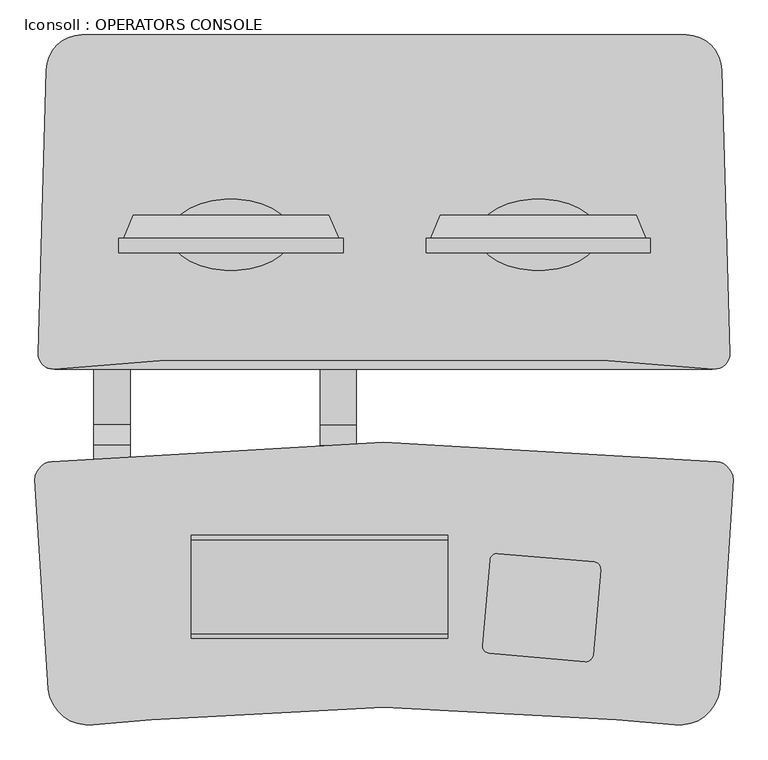
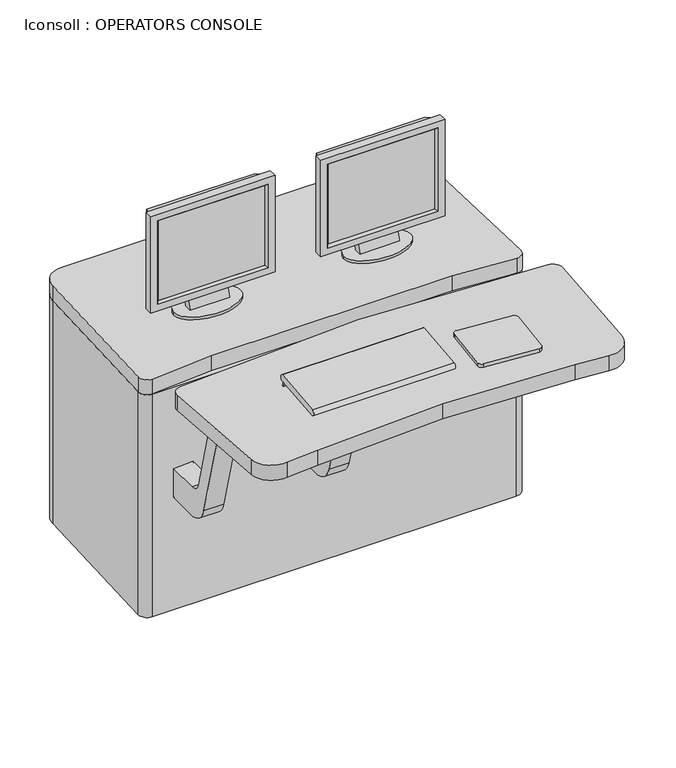
"""IFC4 building model written with IfcOpenShell, lengths in millimetres: proxy geometry, lconsoll : OPERATORS CONSOLE."""

from ifc_helpers import new_model, si_unit, point, frame, frame_2d, origin, place, context, project, spatial, polyline, circle_curve, ellipse_curve, trimmed, segment, composite_curve, outline, extrude, source, transform, mapped, element, save
from ifc_brep_helpers import plane_surface, cylinder_surface, revolved_surface, extruded_surface, advanced_brep


def lconsoll_operators_console_3d333c1b(model_context):
    return source(origin(), model_context, "Body", "SolidModel", [
        extrude(outline(composite_curve([segment(polyline([(-429.2591306, 1166.416873), (-429.2591306, 892.1394842), (-433.7264594, 892.1394842)]), True, "CONTINUOUS"), segment(trimmed(circle_curve(frame_2d((3743.1105771, 1029.2781786)), 4179.0877773), [point((-433.7264594, 892.1394842))], [point((-433.7264594, 1166.416873))], False, "CARTESIAN"), True, "CONTINUOUS"), segment(polyline([(-433.7264594, 1166.416873), (-429.2591306, 1166.416873)]), True, "CONTINUOUS")], self_intersect=False)), frame((-444.4905985, 0.0, 0.0), z_axis=(1.0, 0.0, 0.0), x_axis=(0.0, 1.0, 0.0)), (0.0, 0.0, 1.0), 345.3973888),
        advanced_brep(
        [(-97.7809199, -376.5441634, 1167.7291627), (-80.8354978, -417.8191634, 1184.6745848), (-80.8354978, -417.8191634, 873.8817723), (-97.7809199, -376.5441634, 890.8271944), (-462.7483103, -417.8191634, 873.8817723), (-445.8028882, -376.5441634, 890.8271944), (-208.2919041, -406.0172917, 879.1437736), (-208.2919041, -391.6414893, 885.0968233), (-335.2919041, -391.6414893, 885.0968233), (-335.2919041, -406.0172917, 879.1437736), (-462.7483103, -417.8191634, 1184.6745848), (-445.8028882, -376.5441634, 1167.7291627), (-208.2919041, -425.8980933, 816.483), (-208.2919041, -400.3886115, 816.483), (-335.2919041, -400.3886115, 816.483), (-335.2919041, -425.8980933, 816.483), (-379.7419041, -411.4691634, 816.483), (-163.8419041, -411.4691634, 816.483), (-379.7419041, -411.4691634, 806.958), (-163.8419041, -411.4691634, 806.958)],
        [
            (0, 1, ellipse_curve(frame((401.7716758, -195.5691634, 1667.2817585), z_axis=(-0.7071067811865475, 0.0, 0.7071067811865475), x_axis=(-0.7071067811865474, 0.0, -0.7071067811865476)), 751.4050127, 531.3235799)),
            (1, 2),
            (2, 3, ellipse_curve(frame((401.7716758, -195.5691634, 391.2745987), z_axis=(-0.7071067811865475, 0.0, -0.7071067811865475), x_axis=(0.7071067811865474, 0.0, -0.7071067811865476)), 751.4050127, 531.3235799)),
            (3, 0),
            (2, 4),
            (4, 5, ellipse_curve(frame((-945.355484, -195.5691634, 391.2745987), z_axis=(-0.7071067811865475, 0.0, 0.7071067811865475), x_axis=(-0.7071067811865476, 0.0, -0.7071067811865474)), 751.4050127, 531.3235799)),
            (5, 3),
            (6, 7, circle_curve(frame((-208.2919041, -195.5691634, 391.2745987), z_axis=(-1.0, 0.0, 0.0), x_axis=(0.0, -1.0, 0.0)), 531.3235799)),
            (7, 8),
            (8, 9, circle_curve(frame((-335.2919041, -195.5691634, 391.2745987), z_axis=(1.0, 0.0, 0.0), x_axis=(0.0, -1.0, 0.0)), 531.3235799)),
            (9, 6),
            (4, 10),
            (10, 11, ellipse_curve(frame((-945.355484, -195.5691634, 1667.2817585), z_axis=(0.7071067811865476, 0.0, 0.7071067811865475), x_axis=(-0.7071067811865475, 0.0, 0.7071067811865476)), 751.4050127, 531.3235799)),
            (11, 5),
            (0, 11),
            (10, 1),
            (6, 12, circle_curve(frame((-208.2919041, -762.8070427, 957.8605937), z_axis=(-1.0, 0.0, 0.0), x_axis=(0.0, -1.0, 0.0)), 365.3700374)),
            (12, 13),
            (13, 7, circle_curve(frame((-208.2919041, -1133.2395964, 944.7737891), z_axis=(1.0, 0.0, 0.0), x_axis=(0.0, -1.0, 0.0)), 743.9953579)),
            (8, 14, circle_curve(frame((-335.2919041, -1133.2395964, 944.7737891), z_axis=(-1.0, 0.0, 0.0), x_axis=(0.0, -1.0, 0.0)), 743.9953579)),
            (14, 15),
            (15, 9, circle_curve(frame((-335.2919041, -762.8070427, 957.8605937), z_axis=(1.0, 0.0, 0.0), x_axis=(0.0, -1.0, 0.0)), 365.3700374)),
            (15, 12),
            (13, 14),
            (16, 17, ellipse_curve(frame((-271.7919041, -411.4691634, 816.483), z_axis=(0.0, 0.0, 1.0), x_axis=(1.0, 0.0, 0.0)), 107.95, 63.5)),
            (17, 16, ellipse_curve(frame((-271.7919041, -411.4691634, 816.483), z_axis=(0.0, 0.0, 1.0), x_axis=(1.0, 0.0, 0.0)), 107.95, 63.5)),
            (18, 19, ellipse_curve(frame((-271.7919041, -411.4691634, 806.958), z_axis=(0.0, 0.0, -1.0), x_axis=(1.0, 0.0, 0.0)), 107.95, 63.5)),
            (19, 18, ellipse_curve(frame((-271.7919041, -411.4691634, 806.958), z_axis=(0.0, 0.0, -1.0), x_axis=(1.0, 0.0, 0.0)), 107.95, 63.5)),
            (16, 18),
            (19, 17),
        ],
        [
            revolved_surface(polyline([(401.7716758, -726.8927433, -140.04898119773384), (401.7716758, -726.8927433, 2198.605338397734)]), (401.7716758, -195.5691634, 1184.6745848), (0.0, 0.0, -1.0)),
            revolved_surface(polyline([(-1476.6790638977338, -726.8927433, 391.2745987), (933.0952556977338, -726.8927433, 391.2745987)]), (-80.8354978, -195.5691634, 391.2745987), (-1.0, 0.0, 0.0)),
            revolved_surface(polyline([(-945.355484, -726.8927433, 2198.605338397734), (-945.355484, -726.8927433, -140.04898119773384)]), (-945.355484, -195.5691634, 873.8817723), (0.0, 0.0, 1.0)),
            revolved_surface(polyline([(933.095255697734, -726.8927433, 1667.2817585), (-1476.6790638977338, -726.8927433, 1667.2817585)]), (-462.7483103, -195.5691634, 1667.2817585), (1.0, 0.0, 0.0)),
            plane_surface(frame((-445.8028882, -376.5441634, 1167.7291627), z_axis=(0.0, 1.0, 0.0), x_axis=(1.0, 0.0, 0.0))),
            plane_surface(frame((-401.3319041, -417.8191634, 1123.2581786), z_axis=(0.0, -1.0, 0.0), x_axis=(1.0, 0.0, 0.0))),
            plane_surface(frame((-208.2919041, -1128.1770801, 957.8605937), z_axis=(1.0, 0.0, 0.0), x_axis=(0.0, 0.0, 1.0))),
            plane_surface(frame((-335.2919041, -1128.1770801, 957.8605937), z_axis=(-1.0, 0.0, 0.0), x_axis=(0.0, 0.0, -1.0))),
            revolved_surface(polyline([(-335.2919041, -1128.1770801, 957.8605937), (-208.2919041, -1128.1770801, 957.8605937)]), (-335.2919041, -762.8070427, 957.8605937), (-1.0, 0.0, 0.0)),
            cylinder_surface(frame((-335.2919041, -1133.2395964, 944.7737891), z_axis=(1.0, 0.0, 0.0), x_axis=(0.0, -1.0, 0.0)), 743.9953579),
            plane_surface(frame((-163.8419041, -411.4691634, 816.483), z_axis=(0.0, 0.0, 1.0), x_axis=(0.0, 1.0, 0.0))),
            plane_surface(frame((-163.8419041, -411.4691634, 806.958), z_axis=(0.0, 0.0, -1.0), x_axis=(0.0, -1.0, 0.0))),
            extruded_surface(trimmed(ellipse_curve(frame((-271.7919041, -411.4691634, 797.433), z_axis=(0.0, 0.0, 1.0), x_axis=(1.0, 0.0, 0.0)), 107.95, 63.5), [point((-379.7419041, -411.4691634, 797.433))], [point((-163.8419041, -411.4691634, 797.433))], True, "CARTESIAN"), (0.0, 0.0, 9.524999999999977), 9.524999999999977),
            extruded_surface(trimmed(ellipse_curve(frame((-271.7919041, -411.4691634, 797.433), z_axis=(0.0, 0.0, 1.0), x_axis=(1.0, 0.0, 0.0)), 107.95, 63.5), [point((-163.8419041, -411.4691634, 797.433))], [point((-379.7419041, -411.4691634, 797.433))], True, "CARTESIAN"), (0.0, 0.0, 9.524999999999977), 9.524999999999977),
        ],
        [
            (0, [[1, 2, 3, 4]]),
            (1, [[-3, 5, 6, 7], [8, 9, 10, 11]]),
            (2, [[-6, 12, 13, 14]]),
            (3, [[-1, 15, -13, 16]]),
            (4, [[-4, -7, -14, -15]]),
            (5, [[-2, -16, -12, -5]]),
            (6, [[-8, 17, 18, 19]]),
            (7, [[-10, 20, 21, 22]]),
            (8, [[-11, -22, 23, -17]]),
            (9, [[-9, -19, 24, -20]]),
            (10, [[25, 26], [-18, -23, -21, -24]]),
            (11, [[27, 28]]),
            (12, [[-25, 29, -28, 30]]),
            (13, [[-26, -30, -27, -29]]),
        ],
    ),
        advanced_brep(
        [(-471.1819041, -443.2191634, 865.4481786), (-471.1819041, -417.8191634, 865.4481786), (-72.4019041, -417.8191634, 865.4481786), (-72.4019041, -443.2191634, 865.4481786), (-444.4905985, -433.7264594, 892.1394842), (-449.2744041, -443.2191634, 887.3556786), (-94.3094041, -443.2191634, 887.3556786), (-99.0932097, -433.7264594, 892.1394842), (-444.4905985, -417.8191634, 892.1394842), (-99.0932097, -417.8191634, 892.1394842), (-72.4019041, -417.8191634, 1193.1081786), (-72.4019041, -443.2191634, 1193.1081786), (-94.3094041, -443.2191634, 1171.2006786), (-99.0932097, -433.7264594, 1166.416873), (-99.0932097, -417.8191634, 1166.416873), (-471.1819041, -417.8191634, 1193.1081786), (-471.1819041, -443.2191634, 1193.1081786), (-449.2744041, -443.2191634, 1171.2006786), (-444.4905985, -433.7264594, 1166.416873), (-444.4905985, -417.8191634, 1166.416873)],
        [
            (0, 1),
            (1, 2),
            (2, 3),
            (3, 0),
            (4, 5, ellipse_curve(frame((-457.2476312, -433.2493507, 879.3824515), z_axis=(0.7071067811865475, 0.0, -0.7071067811865475), x_axis=(-0.7071067811865476, 0.0, -0.7071067811865474)), 18.0537817, 12.7659514)),
            (5, 6),
            (6, 7, ellipse_curve(frame((-86.336177, -433.2493507, 879.3824515), z_axis=(-0.7071067811865475, 0.0, -0.7071067811865475), x_axis=(-0.7071067811865476, 0.0, 0.7071067811865474)), 18.0537817, 12.7659514)),
            (7, 4),
            (8, 4),
            (7, 9),
            (9, 8),
            (2, 10),
            (10, 11),
            (11, 3),
            (6, 12),
            (12, 13, ellipse_curve(frame((-86.336177, -433.2493507, 1179.1739057), z_axis=(0.7071067811865475, 0.0, -0.7071067811865475), x_axis=(-0.7071067811865474, 0.0, -0.7071067811865476)), 18.0537817, 12.7659514)),
            (13, 7),
            (13, 14),
            (14, 9),
            (10, 15),
            (15, 16),
            (16, 11),
            (12, 17),
            (17, 18, ellipse_curve(frame((-457.2476312, -433.2493507, 1179.1739057), z_axis=(0.7071067811865475, 0.0, 0.7071067811865475), x_axis=(0.7071067811865476, 0.0, -0.7071067811865474)), 18.0537817, 12.7659514)),
            (18, 13),
            (18, 19),
            (19, 14),
            (1, 15),
            (19, 8),
            (0, 16),
            (5, 17),
            (4, 18),
        ],
        [
            plane_surface(frame((-471.1819041, -417.8191634, 865.4481786), z_axis=(0.0, 0.0, -1.0), x_axis=(1.0, 0.0, 0.0))),
            cylinder_surface(frame((-471.1819041, -433.2493507, 879.3824515), z_axis=(-1.0, 0.0, 0.0), x_axis=(0.0, 0.0, 1.0)), 12.7659514),
            plane_surface(frame((-444.4905985, -433.7264594, 892.1394842), z_axis=(0.0, 0.0, 1.0), x_axis=(1.0, 0.0, 0.0))),
            plane_surface(frame((-72.4019041, -417.8191634, 865.4481786), z_axis=(1.0, 0.0, 0.0), x_axis=(0.0, 0.0, 1.0))),
            cylinder_surface(frame((-86.336177, -433.2493507, 865.4481786), z_axis=(0.0, 0.0, -1.0), x_axis=(-1.0, 0.0, 0.0)), 12.7659514),
            plane_surface(frame((-99.0932097, -433.7264594, 892.1394842), z_axis=(-1.0, 0.0, 0.0), x_axis=(0.0, 0.0, 1.0))),
            plane_surface(frame((-72.4019041, -417.8191634, 1193.1081786), z_axis=(0.0, 0.0, 1.0), x_axis=(-1.0, 0.0, 0.0))),
            cylinder_surface(frame((-72.4019041, -433.2493507, 1179.1739057), z_axis=(1.0, 0.0, 0.0), x_axis=(0.0, 0.0, -1.0)), 12.7659514),
            plane_surface(frame((-99.0932097, -433.7264594, 1166.416873), z_axis=(0.0, 0.0, -1.0), x_axis=(-1.0, 0.0, 0.0))),
            plane_surface(frame((-444.4905985, -417.8191634, 1166.416873), z_axis=(0.0, 1.0, 0.0), x_axis=(0.0, 0.0, -1.0))),
            plane_surface(frame((-471.1819041, -417.8191634, 1193.1081786), z_axis=(-1.0, 0.0, 0.0), x_axis=(0.0, 0.0, -1.0))),
            plane_surface(frame((-471.1819041, -443.2191634, 1193.1081786), z_axis=(0.0, -1.0, 0.0), x_axis=(0.0, 0.0, -1.0))),
            cylinder_surface(frame((-457.2476312, -433.2493507, 1193.1081786), z_axis=(0.0, 0.0, 1.0), x_axis=(1.0, 0.0, 0.0)), 12.7659514),
            plane_surface(frame((-444.4905985, -433.7264594, 1166.416873), z_axis=(1.0, 0.0, 0.0), x_axis=(0.0, 0.0, -1.0))),
        ],
        [
            (0, [[1, 2, 3, 4]]),
            (1, [[5, 6, 7, 8]]),
            (2, [[9, -8, 10, 11]]),
            (3, [[-3, 12, 13, 14]]),
            (4, [[-7, 15, 16, 17]]),
            (5, [[-10, -17, 18, 19]]),
            (6, [[-13, 20, 21, 22]]),
            (7, [[-16, 23, 24, 25]]),
            (8, [[-18, -25, 26, 27]]),
            (9, [[28, -20, -12, -2], [-19, -27, 29, -11]]),
            (10, [[-21, -28, -1, 30]]),
            (11, [[-14, -22, -30, -4], [31, -23, -15, -6]]),
            (12, [[-24, -31, -5, 32]]),
            (13, [[-26, -32, -9, -29]]),
        ],
    ),
        extrude(outline(composite_curve([segment(polyline([(-429.2591306, 1166.416873), (-429.2591306, 892.1394842), (-433.7264594, 892.1394842)]), True, "CONTINUOUS"), segment(trimmed(circle_curve(frame_2d((3743.1105771, 1029.2781786)), 4179.0877773), [point((-433.7264594, 892.1394842))], [point((-433.7264594, 1166.416873))], False, "CARTESIAN"), True, "CONTINUOUS"), segment(polyline([(-433.7264594, 1166.416873), (-429.2591306, 1166.416873)]), True, "CONTINUOUS")], self_intersect=False)), frame((101.4887902, 0.0, 0.0), z_axis=(1.0, 0.0, 0.0), x_axis=(0.0, 1.0, 0.0)), (0.0, 0.0, 1.0), 345.3973888),
        advanced_brep(
        [(448.1984688, -376.5441634, 1167.7291627), (465.1438909, -417.8191634, 1184.6745848), (465.1438909, -417.8191634, 873.8817723), (448.1984688, -376.5441634, 890.8271944), (83.2310784, -417.8191634, 873.8817723), (100.1765005, -376.5441634, 890.8271944), (337.6874846, -406.0172917, 879.1437736), (337.6874846, -391.6414893, 885.0968233), (210.6874846, -391.6414893, 885.0968233), (210.6874846, -406.0172917, 879.1437736), (83.2310784, -417.8191634, 1184.6745848), (100.1765005, -376.5441634, 1167.7291627), (337.6874846, -425.8980933, 816.483), (337.6874846, -400.3886115, 816.483), (210.6874846, -400.3886115, 816.483), (210.6874846, -425.8980933, 816.483), (166.2374846, -411.4691634, 816.483), (382.1374846, -411.4691634, 816.483), (166.2374846, -411.4691634, 806.958), (382.1374846, -411.4691634, 806.958)],
        [
            (0, 1, ellipse_curve(frame((947.7510645, -195.5691634, 1667.2817585), z_axis=(-0.7071067811865475, 0.0, 0.7071067811865475), x_axis=(-0.7071067811865474, 0.0, -0.7071067811865476)), 751.4050127, 531.3235799)),
            (1, 2),
            (2, 3, ellipse_curve(frame((947.7510645, -195.5691634, 391.2745987), z_axis=(-0.7071067811865475, 0.0, -0.7071067811865475), x_axis=(0.7071067811865474, 0.0, -0.7071067811865476)), 751.4050127, 531.3235799)),
            (3, 0),
            (2, 4),
            (4, 5, ellipse_curve(frame((-399.3760953, -195.5691634, 391.2745987), z_axis=(-0.7071067811865475, 0.0, 0.7071067811865475), x_axis=(-0.7071067811865476, 0.0, -0.7071067811865474)), 751.4050127, 531.3235799)),
            (5, 3),
            (6, 7, circle_curve(frame((337.6874846, -195.5691634, 391.2745987), z_axis=(-1.0, 0.0, 0.0), x_axis=(0.0, -1.0, 0.0)), 531.3235799)),
            (7, 8),
            (8, 9, circle_curve(frame((210.6874846, -195.5691634, 391.2745987), z_axis=(1.0, 0.0, 0.0), x_axis=(0.0, -1.0, 0.0)), 531.3235799)),
            (9, 6),
            (4, 10),
            (10, 11, ellipse_curve(frame((-399.3760953, -195.5691634, 1667.2817585), z_axis=(0.7071067811865476, 0.0, 0.7071067811865475), x_axis=(-0.7071067811865475, 0.0, 0.7071067811865476)), 751.4050127, 531.3235799)),
            (11, 5),
            (0, 11),
            (10, 1),
            (6, 12, circle_curve(frame((337.6874846, -762.8070427, 957.8605937), z_axis=(-1.0, 0.0, 0.0), x_axis=(0.0, -1.0, 0.0)), 365.3700374)),
            (12, 13),
            (13, 7, circle_curve(frame((337.6874846, -1133.2395964, 944.7737891), z_axis=(1.0, 0.0, 0.0), x_axis=(0.0, -1.0, 0.0)), 743.9953579)),
            (8, 14, circle_curve(frame((210.6874846, -1133.2395964, 944.7737891), z_axis=(-1.0, 0.0, 0.0), x_axis=(0.0, -1.0, 0.0)), 743.9953579)),
            (14, 15),
            (15, 9, circle_curve(frame((210.6874846, -762.8070427, 957.8605937), z_axis=(1.0, 0.0, 0.0), x_axis=(0.0, -1.0, 0.0)), 365.3700374)),
            (15, 12),
            (13, 14),
            (16, 17, ellipse_curve(frame((274.1874846, -411.4691634, 816.483), z_axis=(0.0, 0.0, 1.0), x_axis=(1.0, 0.0, 0.0)), 107.95, 63.5)),
            (17, 16, ellipse_curve(frame((274.1874846, -411.4691634, 816.483), z_axis=(0.0, 0.0, 1.0), x_axis=(1.0, 0.0, 0.0)), 107.95, 63.5)),
            (18, 19, ellipse_curve(frame((274.1874846, -411.4691634, 806.958), z_axis=(0.0, 0.0, -1.0), x_axis=(1.0, 0.0, 0.0)), 107.95, 63.5)),
            (19, 18, ellipse_curve(frame((274.1874846, -411.4691634, 806.958), z_axis=(0.0, 0.0, -1.0), x_axis=(1.0, 0.0, 0.0)), 107.95, 63.5)),
            (16, 18),
            (19, 17),
        ],
        [
            revolved_surface(polyline([(947.7510645, -726.8927433, -140.04898119773384), (947.7510645, -726.8927433, 2198.605338397734)]), (947.7510645, -195.5691634, 1184.6745848), (0.0, 0.0, -1.0)),
            revolved_surface(polyline([(-930.6996751977339, -726.8927433, 391.2745987), (1479.0746443977337, -726.8927433, 391.2745987)]), (465.1438909, -195.5691634, 391.2745987), (-1.0, 0.0, 0.0)),
            revolved_surface(polyline([(-399.3760953, -726.8927433, 2198.605338397734), (-399.3760953, -726.8927433, -140.04898119773384)]), (-399.3760953, -195.5691634, 873.8817723), (0.0, 0.0, 1.0)),
            revolved_surface(polyline([(1479.0746443977337, -726.8927433, 1667.2817585), (-930.6996751977338, -726.8927433, 1667.2817585)]), (83.2310784, -195.5691634, 1667.2817585), (1.0, 0.0, 0.0)),
            plane_surface(frame((100.1765005, -376.5441634, 1167.7291627), z_axis=(0.0, 1.0, 0.0), x_axis=(1.0, 0.0, 0.0))),
            plane_surface(frame((144.6474846, -417.8191634, 1123.2581786), z_axis=(0.0, -1.0, 0.0), x_axis=(1.0, 0.0, 0.0))),
            plane_surface(frame((337.6874846, -1128.1770801, 957.8605937), z_axis=(1.0, 0.0, 0.0), x_axis=(0.0, 0.0, 1.0))),
            plane_surface(frame((210.6874846, -1128.1770801, 957.8605937), z_axis=(-1.0, 0.0, 0.0), x_axis=(0.0, 0.0, -1.0))),
            revolved_surface(polyline([(210.6874846, -1128.1770801, 957.8605937), (337.6874846, -1128.1770801, 957.8605937)]), (210.6874846, -762.8070427, 957.8605937), (-1.0, 0.0, 0.0)),
            cylinder_surface(frame((210.6874846, -1133.2395964, 944.7737891), z_axis=(1.0, 0.0, 0.0), x_axis=(0.0, -1.0, 0.0)), 743.9953579),
            plane_surface(frame((382.1374846, -411.4691634, 816.483), z_axis=(0.0, 0.0, 1.0), x_axis=(0.0, 1.0, 0.0))),
            plane_surface(frame((382.1374846, -411.4691634, 806.958), z_axis=(0.0, 0.0, -1.0), x_axis=(0.0, -1.0, 0.0))),
            extruded_surface(trimmed(ellipse_curve(frame((274.1874846, -411.4691634, 797.433), z_axis=(0.0, 0.0, 1.0), x_axis=(1.0, 0.0, 0.0)), 107.95, 63.5), [point((166.2374846, -411.4691634, 797.433))], [point((382.1374846, -411.4691634, 797.433))], True, "CARTESIAN"), (0.0, 0.0, 9.524999999999977), 9.524999999999977),
            extruded_surface(trimmed(ellipse_curve(frame((274.1874846, -411.4691634, 797.433), z_axis=(0.0, 0.0, 1.0), x_axis=(1.0, 0.0, 0.0)), 107.95, 63.5), [point((382.1374846, -411.4691634, 797.433))], [point((166.2374846, -411.4691634, 797.433))], True, "CARTESIAN"), (0.0, 0.0, 9.524999999999977), 9.524999999999977),
        ],
        [
            (0, [[1, 2, 3, 4]]),
            (1, [[-3, 5, 6, 7], [8, 9, 10, 11]]),
            (2, [[-6, 12, 13, 14]]),
            (3, [[-1, 15, -13, 16]]),
            (4, [[-4, -7, -14, -15]]),
            (5, [[-2, -16, -12, -5]]),
            (6, [[-8, 17, 18, 19]]),
            (7, [[-10, 20, 21, 22]]),
            (8, [[-11, -22, 23, -17]]),
            (9, [[-9, -19, 24, -20]]),
            (10, [[25, 26], [-18, -23, -21, -24]]),
            (11, [[27, 28]]),
            (12, [[-25, 29, -28, 30]]),
            (13, [[-26, -30, -27, -29]]),
        ],
    ),
        advanced_brep(
        [(74.7974846, -443.2191634, 865.4481786), (74.7974846, -417.8191634, 865.4481786), (473.5774846, -417.8191634, 865.4481786), (473.5774846, -443.2191634, 865.4481786), (101.4887902, -433.7264594, 892.1394842), (96.7049846, -443.2191634, 887.3556786), (451.6699846, -443.2191634, 887.3556786), (446.886179, -433.7264594, 892.1394842), (101.4887902, -417.8191634, 892.1394842), (446.886179, -417.8191634, 892.1394842), (473.5774846, -417.8191634, 1193.1081786), (473.5774846, -443.2191634, 1193.1081786), (451.6699846, -443.2191634, 1171.2006786), (446.886179, -433.7264594, 1166.416873), (446.886179, -417.8191634, 1166.416873), (74.7974846, -417.8191634, 1193.1081786), (74.7974846, -443.2191634, 1193.1081786), (96.7049846, -443.2191634, 1171.2006786), (101.4887902, -433.7264594, 1166.416873), (101.4887902, -417.8191634, 1166.416873)],
        [
            (0, 1),
            (1, 2),
            (2, 3),
            (3, 0),
            (4, 5, ellipse_curve(frame((88.7317575, -433.2493507, 879.3824515), z_axis=(0.7071067811865475, 0.0, -0.7071067811865475), x_axis=(-0.7071067811865476, 0.0, -0.7071067811865474)), 18.0537817, 12.7659514)),
            (5, 6),
            (6, 7, ellipse_curve(frame((459.6432117, -433.2493507, 879.3824515), z_axis=(-0.7071067811865475, 0.0, -0.7071067811865475), x_axis=(-0.7071067811865476, 0.0, 0.7071067811865474)), 18.0537817, 12.7659514)),
            (7, 4),
            (8, 4),
            (7, 9),
            (9, 8),
            (2, 10),
            (10, 11),
            (11, 3),
            (6, 12),
            (12, 13, ellipse_curve(frame((459.6432117, -433.2493507, 1179.1739057), z_axis=(0.7071067811865475, 0.0, -0.7071067811865475), x_axis=(-0.7071067811865474, 0.0, -0.7071067811865476)), 18.0537817, 12.7659514)),
            (13, 7),
            (13, 14),
            (14, 9),
            (10, 15),
            (15, 16),
            (16, 11),
            (12, 17),
            (17, 18, ellipse_curve(frame((88.7317575, -433.2493507, 1179.1739057), z_axis=(0.7071067811865475, 0.0, 0.7071067811865475), x_axis=(0.7071067811865476, 0.0, -0.7071067811865474)), 18.0537817, 12.7659514)),
            (18, 13),
            (18, 19),
            (19, 14),
            (1, 15),
            (19, 8),
            (0, 16),
            (5, 17),
            (4, 18),
        ],
        [
            plane_surface(frame((74.7974846, -417.8191634, 865.4481786), z_axis=(0.0, 0.0, -1.0), x_axis=(1.0, 0.0, 0.0))),
            cylinder_surface(frame((74.7974846, -433.2493507, 879.3824515), z_axis=(-1.0, 0.0, 0.0), x_axis=(0.0, 0.0, 1.0)), 12.7659514),
            plane_surface(frame((101.4887902, -433.7264594, 892.1394842), z_axis=(0.0, 0.0, 1.0), x_axis=(1.0, 0.0, 0.0))),
            plane_surface(frame((473.5774846, -417.8191634, 865.4481786), z_axis=(1.0, 0.0, 0.0), x_axis=(0.0, 0.0, 1.0))),
            cylinder_surface(frame((459.6432117, -433.2493507, 865.4481786), z_axis=(0.0, 0.0, -1.0), x_axis=(-1.0, 0.0, 0.0)), 12.7659514),
            plane_surface(frame((446.886179, -433.7264594, 892.1394842), z_axis=(-1.0, 0.0, 0.0), x_axis=(0.0, 0.0, 1.0))),
            plane_surface(frame((473.5774846, -417.8191634, 1193.1081786), z_axis=(0.0, 0.0, 1.0), x_axis=(-1.0, 0.0, 0.0))),
            cylinder_surface(frame((473.5774846, -433.2493507, 1179.1739057), z_axis=(1.0, 0.0, 0.0), x_axis=(0.0, 0.0, -1.0)), 12.7659514),
            plane_surface(frame((446.886179, -433.7264594, 1166.416873), z_axis=(0.0, 0.0, -1.0), x_axis=(-1.0, 0.0, 0.0))),
            plane_surface(frame((101.4887902, -417.8191634, 1166.416873), z_axis=(0.0, 1.0, 0.0), x_axis=(0.0, 0.0, -1.0))),
            plane_surface(frame((74.7974846, -417.8191634, 1193.1081786), z_axis=(-1.0, 0.0, 0.0), x_axis=(0.0, 0.0, -1.0))),
            plane_surface(frame((74.7974846, -443.2191634, 1193.1081786), z_axis=(0.0, -1.0, 0.0), x_axis=(0.0, 0.0, -1.0))),
            cylinder_surface(frame((88.7317575, -433.2493507, 1193.1081786), z_axis=(0.0, 0.0, 1.0), x_axis=(1.0, 0.0, 0.0)), 12.7659514),
            plane_surface(frame((101.4887902, -433.7264594, 1166.416873), z_axis=(1.0, 0.0, 0.0), x_axis=(0.0, 0.0, -1.0))),
        ],
        [
            (0, [[1, 2, 3, 4]]),
            (1, [[5, 6, 7, 8]]),
            (2, [[9, -8, 10, 11]]),
            (3, [[-3, 12, 13, 14]]),
            (4, [[-7, 15, 16, 17]]),
            (5, [[-10, -17, 18, 19]]),
            (6, [[-13, 20, 21, 22]]),
            (7, [[-16, 23, 24, 25]]),
            (8, [[-18, -25, 26, 27]]),
            (9, [[28, -20, -12, -2], [-19, -27, 29, -11]]),
            (10, [[-21, -28, -1, 30]]),
            (11, [[-14, -22, -30, -4], [31, -23, -15, -6]]),
            (12, [[-24, -31, -5, 32]]),
            (13, [[-26, -32, -9, -29]]),
        ],
    ),
        extrude(outline(polyline([(-954.4088255, 882.65), (-957.8041925, 882.65), (-961.7164517, 897.2507503), (-958.3988792, 897.5410831), (-954.4088255, 882.65)])), frame((-342.968305, 0.0, 0.0), z_axis=(1.0, 0.0, 0.0), x_axis=(0.0, 1.0, 0.0)), (0.0, 0.0, 1.0), 455.9128064),
        extrude(outline(composite_curve([segment(polyline([(-951.3028468, 898.1620828), (-1118.3496845, 883.5432046)]), True, "CONTINUOUS"), segment(trimmed(circle_curve(frame_2d((-1119.1831566, 893.0671137)), 9.5603096), [point((-1118.3496845, 883.5432046))], [point((-1120.169602, 902.5763958))], False, "CARTESIAN"), True, "CONTINUOUS"), segment(polyline([(-1120.169602, 902.5763958), (-953.5537113, 919.8602973)]), True, "CONTINUOUS"), segment(trimmed(circle_curve(frame_2d((-956.8397513, 908.5535659)), 11.7745587), [point((-953.5537113, 919.8602973))], [point((-951.3028468, 898.1620828))], False, "CARTESIAN"), True, "CONTINUOUS")], self_intersect=False)), frame((-342.968305, 0.0, 0.0), z_axis=(1.0, 0.0, 0.0), x_axis=(0.0, 1.0, 0.0)), (0.0, 0.0, 1.0), 455.9128064),
        extrude(outline(composite_curve([segment(trimmed(circle_curve(frame_2d((372.1042034, -1005.4843603)), 12.7), [point((373.2110813, -992.8326876))], [point((384.7558761, -1006.5912382))], False, "CARTESIAN"), True, "CONTINUOUS"), segment(polyline([(384.7558761, -1006.5912382), (371.4733409, -1158.4113102)]), True, "CONTINUOUS"), segment(trimmed(circle_curve(frame_2d((358.8216682, -1157.3044322)), 12.7), [point((371.4733409, -1158.4113102))], [point((357.7147903, -1169.9561049))], False, "CARTESIAN"), True, "CONTINUOUS"), segment(polyline([(357.7147903, -1169.9561049), (186.9172093, -1155.0132528)]), True, "CONTINUOUS"), segment(trimmed(circle_curve(frame_2d((188.0240872, -1142.3615801)), 12.7), [point((186.9172093, -1155.0132528))], [point((175.3724146, -1141.2547022))], False, "CARTESIAN"), True, "CONTINUOUS"), segment(polyline([(175.3724146, -1141.2547022), (188.6549497, -989.4346302)]), True, "CONTINUOUS"), segment(trimmed(circle_curve(frame_2d((201.3066224, -990.5415082)), 12.7), [point((188.6549497, -989.4346302))], [point((202.4135003, -977.8898355))], False, "CARTESIAN"), True, "CONTINUOUS"), segment(polyline([(202.4135003, -977.8898355), (373.2110813, -992.8326876)]), True, "CONTINUOUS")], self_intersect=False)), frame((0.0, 0.0, 882.65), z_axis=(0.0, 0.0, 1.0), x_axis=(1.0, 0.0, 0.0)), (0.0, 0.0, 1.0), 11.3374003),
        advanced_brep(
        [(-614.8713669, -621.5454655, 756.158), (-586.3726048, -650.1844345, 756.158), (583.5495289, -650.1084082, 756.158), (614.8713669, -621.5454655, 756.158), (599.9399457, -118.7699538, 756.158), (537.4314786, -56.2614867, 756.158), (-537.4314786, -56.2614867, 756.158), (-599.9399457, -118.7699538, 756.158), (-614.8713669, -621.5454655, 0.0), (-599.9399457, -118.7699538, 0.0), (-537.4314786, -56.2614867, 0.0), (537.4314786, -56.2614867, 0.0), (599.9399457, -118.7699538, 0.0), (614.8713669, -621.5454655, 0.0), (583.5495283, -650.10842, 0.0), (-586.3726048, -650.1844345, 0.0), (-49.1541716, -635.125196, 476.0995182), (-49.1541716, -635.125196, 378.079), (-113.3970886, -635.58265, 378.079), (-113.3970886, -635.58265, 476.0995182), (-515.4071971, -646.7308125, 378.079), (-515.4071971, -646.7308125, 476.0995182), (-451.1642802, -643.989246, 476.0995182), (-451.1642802, -643.989246, 378.079), (-49.1541716, -873.1935944, 831.85), (-49.1541716, -1177.9935944, 831.85), (-49.1541716, -1139.8935944, 793.75), (-49.1541716, -940.5287526, 793.75), (-49.1541716, -903.7269787, 765.5110056), (-49.1541716, -815.0481171, 434.5569888), (-49.1541716, -741.4445691, 378.079), (-49.1541716, -748.6353818, 476.0995182), (-49.1541716, -785.4371558, 504.3385126), (-113.3970886, -873.1935944, 831.85), (-113.3970886, -785.4371558, 504.3385126), (-113.3970886, -748.6353818, 476.0995182), (-113.3970886, -741.4445691, 378.079), (-113.3970886, -815.0481171, 434.5569888), (-113.3970886, -903.7269787, 765.5110056), (-113.3970886, -940.5287526, 793.75), (-113.3970886, -1139.8935944, 793.75), (-113.3970886, -1177.9935944, 831.85), (-515.4071971, -873.1935944, 831.85), (-515.4071971, -785.4371558, 504.3385126), (-515.4071971, -748.6353818, 476.0995182), (-515.4071971, -741.4445691, 378.079), (-515.4071971, -815.0481171, 434.5569888), (-515.4071971, -903.7269787, 765.5110056), (-515.4071971, -940.5287526, 793.75), (-515.4071971, -1139.8935944, 793.75), (-515.4071971, -1177.9935944, 831.85), (-451.1642802, -873.1935944, 831.85), (-451.1642802, -1177.9935944, 831.85), (-451.1642802, -1139.8935944, 793.75), (-451.1642802, -940.5287526, 793.75), (-451.1642802, -903.7269787, 765.5110056), (-451.1642802, -815.0481171, 434.5569888), (-451.1642802, -741.4445691, 378.079), (-451.1642802, -748.6353818, 476.0995182), (-451.1642802, -785.4371558, 504.3385126)],
        [
            (0, 1, circle_curve(frame((-587.0619985, -622.3713478, 756.158), z_axis=(0.0, 0.0, 1.0), x_axis=(1.0, 0.0, 0.0)), 27.8216292)),
            (1, 2, circle_curve(frame((-0.6769486, -11954.2945623, 756.158), z_axis=(0.0, 0.0, -1.0), x_axis=(1.0, 0.0, 0.0)), 11319.2731738)),
            (2, 3, circle_curve(frame((585.0880073, -620.3404217, 756.158), z_axis=(0.0, 0.0, 1.0), x_axis=(1.0, 0.0, 0.0)), 29.8077278)),
            (3, 4, circle_curve(frame((-2971.4398329, -476.4422205, 756.158), z_axis=(0.0, 0.0, 1.0), x_axis=(1.0, 0.0, 0.0)), 3589.2454602)),
            (4, 5, circle_curve(frame((537.4314786, -118.7699538, 756.158), z_axis=(0.0, 0.0, 1.0), x_axis=(1.0, 0.0, 0.0)), 62.508467)),
            (5, 6),
            (6, 7, circle_curve(frame((-537.4314786, -118.7699538, 756.158), z_axis=(0.0, 0.0, 1.0), x_axis=(-1.0, 0.0, 0.0)), 62.508467)),
            (7, 0, circle_curve(frame((2971.4398329, -476.4422205, 756.158), z_axis=(0.0, 0.0, 1.0), x_axis=(-1.0, 0.0, 0.0)), 3589.2454602)),
            (8, 9, circle_curve(frame((2971.4398329, -476.4422205, 0.0), z_axis=(0.0, 0.0, -1.0), x_axis=(-1.0, 0.0, 0.0)), 3589.2454602)),
            (9, 10, circle_curve(frame((-537.4314786, -118.7699538, 0.0), z_axis=(0.0, 0.0, -1.0), x_axis=(-1.0, 0.0, 0.0)), 62.508467)),
            (10, 11),
            (11, 12, circle_curve(frame((537.4314786, -118.7699538, 0.0), z_axis=(0.0, 0.0, -1.0), x_axis=(1.0, 0.0, 0.0)), 62.508467)),
            (12, 13, circle_curve(frame((-2971.4398329, -476.4422205, 0.0), z_axis=(0.0, 0.0, -1.0), x_axis=(1.0, 0.0, 0.0)), 3589.2454602)),
            (13, 14, circle_curve(frame((585.0880073, -620.3404217, 0.0), z_axis=(0.0, 0.0, -1.0), x_axis=(1.0, 0.0, 0.0)), 29.8077278)),
            (14, 15, circle_curve(frame((-0.6769486, -11954.2945623, 0.0), z_axis=(0.0, 0.0, 1.0), x_axis=(1.0, 0.0, 0.0)), 11319.2731738)),
            (15, 8, circle_curve(frame((-587.0619985, -622.3713478, 0.0), z_axis=(0.0, 0.0, -1.0), x_axis=(1.0, 0.0, 0.0)), 27.8216292)),
            (0, 8),
            (15, 1),
            (14, 2),
            (16, 17),
            (17, 18, circle_curve(frame((-0.6769486, -11954.2945623, 378.079), z_axis=(0.0, 0.0, 1.0), x_axis=(1.0, 0.0, 0.0)), 11319.2731738)),
            (18, 19),
            (19, 16, circle_curve(frame((-0.6769486, -11954.2945623, 476.0995182), z_axis=(0.0, 0.0, -1.0), x_axis=(1.0, 0.0, 0.0)), 11319.2731738)),
            (20, 21),
            (21, 22, circle_curve(frame((-0.6769486, -11954.2945623, 476.0995182), z_axis=(0.0, 0.0, -1.0), x_axis=(1.0, 0.0, 0.0)), 11319.2731738)),
            (22, 23),
            (23, 20, circle_curve(frame((-0.6769486, -11954.2945623, 378.079), z_axis=(0.0, 0.0, 1.0), x_axis=(1.0, 0.0, 0.0)), 11319.2731738)),
            (13, 3),
            (12, 4),
            (11, 5),
            (10, 6),
            (9, 7),
            (24, 25),
            (25, 26, circle_curve(frame((-49.1541716, -1139.8935944, 831.85), z_axis=(1.0, 0.0, 0.0), x_axis=(0.0, 1.0, 0.0)), 38.1)),
            (26, 27),
            (27, 28, circle_curve(frame((-49.1541716, -940.5287526, 755.65), z_axis=(-1.0, 0.0, 0.0), x_axis=(0.0, 1.0, 0.0)), 38.1)),
            (28, 29),
            (29, 30, circle_curve(frame((-49.1541716, -741.4445691, 454.279), z_axis=(1.0, 0.0, 0.0), x_axis=(0.0, 1.0, 0.0)), 76.2)),
            (30, 17),
            (16, 31),
            (31, 32, circle_curve(frame((-49.1541716, -748.6353818, 514.1995182), z_axis=(-1.0, 0.0, 0.0), x_axis=(0.0, 1.0, 0.0)), 38.1)),
            (32, 24),
            (33, 34),
            (34, 35, circle_curve(frame((-113.3970886, -748.6353818, 514.1995182), z_axis=(1.0, 0.0, 0.0), x_axis=(0.0, 1.0, 0.0)), 38.1)),
            (35, 19),
            (18, 36),
            (36, 37, circle_curve(frame((-113.3970886, -741.4445691, 454.279), z_axis=(-1.0, 0.0, 0.0), x_axis=(0.0, 1.0, 0.0)), 76.2)),
            (37, 38),
            (38, 39, circle_curve(frame((-113.3970886, -940.5287526, 755.65), z_axis=(1.0, 0.0, 0.0), x_axis=(0.0, 1.0, 0.0)), 38.1)),
            (39, 40),
            (40, 41, circle_curve(frame((-113.3970886, -1139.8935944, 831.85), z_axis=(-1.0, 0.0, 0.0), x_axis=(0.0, 1.0, 0.0)), 38.1)),
            (41, 33),
            (24, 33),
            (41, 25),
            (40, 26),
            (39, 27),
            (38, 28),
            (37, 29),
            (36, 30),
            (35, 31),
            (34, 32),
            (42, 43),
            (43, 44, circle_curve(frame((-515.4071971, -748.6353818, 514.1995182), z_axis=(1.0, 0.0, 0.0), x_axis=(0.0, 1.0, 0.0)), 38.1)),
            (44, 21),
            (20, 45),
            (45, 46, circle_curve(frame((-515.4071971, -741.4445691, 454.279), z_axis=(-1.0, 0.0, 0.0), x_axis=(0.0, 1.0, 0.0)), 76.2)),
            (46, 47),
            (47, 48, circle_curve(frame((-515.4071971, -940.5287526, 755.65), z_axis=(1.0, 0.0, 0.0), x_axis=(0.0, 1.0, 0.0)), 38.1)),
            (48, 49),
            (49, 50, circle_curve(frame((-515.4071971, -1139.8935944, 831.85), z_axis=(-1.0, 0.0, 0.0), x_axis=(0.0, 1.0, 0.0)), 38.1)),
            (50, 42),
            (51, 52),
            (52, 53, circle_curve(frame((-451.1642802, -1139.8935944, 831.85), z_axis=(1.0, 0.0, 0.0), x_axis=(0.0, 1.0, 0.0)), 38.1)),
            (53, 54),
            (54, 55, circle_curve(frame((-451.1642802, -940.5287526, 755.65), z_axis=(-1.0, 0.0, 0.0), x_axis=(0.0, 1.0, 0.0)), 38.1)),
            (55, 56),
            (56, 57, circle_curve(frame((-451.1642802, -741.4445691, 454.279), z_axis=(1.0, 0.0, 0.0), x_axis=(0.0, 1.0, 0.0)), 76.2)),
            (57, 23),
            (22, 58),
            (58, 59, circle_curve(frame((-451.1642802, -748.6353818, 514.1995182), z_axis=(-1.0, 0.0, 0.0), x_axis=(0.0, 1.0, 0.0)), 38.1)),
            (59, 51),
            (42, 51),
            (59, 43),
            (58, 44),
            (57, 45),
            (56, 46),
            (55, 47),
            (54, 48),
            (53, 49),
            (52, 50),
        ],
        [
            plane_surface(frame((-559.2403692, -622.3713478, 756.158), z_axis=(0.0, 0.0, 1.0), x_axis=(0.0, 1.0, 0.0))),
            plane_surface(frame((-559.2403692, -622.3713478, 0.0), z_axis=(0.0, 0.0, -1.0), x_axis=(0.0, -1.0, 0.0))),
            cylinder_surface(frame((-587.0619985, -622.3713478, 0.0), z_axis=(0.0, 0.0, 1.0), x_axis=(1.0, 0.0, 0.0)), 27.8216292),
            revolved_surface(polyline([(11318.5962252, -11954.2945623, 0.0), (11318.5962252, -11954.2945623, 756.158)]), (-0.6769486, -11954.2945623, 0.0), (0.0, 0.0, -1.0)),
            cylinder_surface(frame((585.0880073, -620.3404217, 0.0), z_axis=(0.0, 0.0, 1.0), x_axis=(1.0, 0.0, 0.0)), 29.8077278),
            cylinder_surface(frame((-2971.4398329, -476.4422205, 0.0), z_axis=(0.0, 0.0, 1.0), x_axis=(1.0, 0.0, 0.0)), 3589.2454602),
            cylinder_surface(frame((537.4314786, -118.7699538, 0.0), z_axis=(0.0, 0.0, 1.0), x_axis=(1.0, 0.0, 0.0)), 62.508467),
            plane_surface(frame((537.4314786, -56.2614867, 756.158), z_axis=(0.0, 1.0, 0.0), x_axis=(0.0, 0.0, -1.0))),
            cylinder_surface(frame((-537.4314786, -118.7699538, 0.0), z_axis=(0.0, 0.0, 1.0), x_axis=(-1.0, 0.0, 0.0)), 62.508467),
            cylinder_surface(frame((2971.4398329, -476.4422205, 0.0), z_axis=(0.0, 0.0, 1.0), x_axis=(-1.0, 0.0, 0.0)), 3589.2454602),
            plane_surface(frame((-49.1541716, -1177.9935944, 831.85), z_axis=(1.0, 0.0, 0.0), x_axis=(0.0, -1.0, 0.0))),
            plane_surface(frame((-113.3970886, -1177.9935944, 831.85), z_axis=(-1.0, 0.0, 0.0), x_axis=(0.0, 1.0, 0.0))),
            plane_surface(frame((-49.1541716, -873.1935944, 831.85), z_axis=(0.0, 0.0, 1.0), x_axis=(-1.0, 0.0, 0.0))),
            cylinder_surface(frame((-113.3970886, -1139.8935944, 831.85), z_axis=(1.0, 0.0, 0.0), x_axis=(0.0, 1.0, 0.0)), 38.1),
            plane_surface(frame((-49.1541716, -1139.8935944, 793.75), z_axis=(0.0, 0.0, -1.0), x_axis=(-1.0, 0.0, 0.0))),
            revolved_surface(polyline([(-113.3970886, -902.4287525999999, 755.65), (-49.1541716, -902.4287525999999, 755.65)]), (-113.3970886, -940.5287526, 755.65), (-1.0, 0.0, 0.0)),
            plane_surface(frame((-49.1541716, -903.7269787, 765.5110056), z_axis=(0.0, -0.9659258262890695, -0.25881904510251624), x_axis=(-1.0, 0.0, 0.0))),
            cylinder_surface(frame((-113.3970886, -741.4445691, 454.279), z_axis=(1.0, 0.0, 0.0), x_axis=(0.0, 1.0, 0.0)), 76.2),
            plane_surface(frame((-49.1541716, -741.4445691, 378.079), z_axis=(0.0, 0.0, -1.0), x_axis=(-1.0, 0.0, 0.0))),
            plane_surface(frame((-49.1541716, -631.4685687, 476.0995182), z_axis=(0.0, 0.0, 1.0), x_axis=(-1.0, 0.0, 0.0))),
            revolved_surface(polyline([(-113.3970886, -710.5353818, 514.1995182), (-49.1541716, -710.5353818, 514.1995182)]), (-113.3970886, -748.6353818, 514.1995182), (-1.0, 0.0, 0.0)),
            plane_surface(frame((-49.1541716, -785.4371558, 504.3385126), z_axis=(0.0, 0.9659258262890689, 0.2588190451025188), x_axis=(-1.0, 0.0, 0.0))),
            plane_surface(frame((-515.4071971, -873.1935944, 831.85), z_axis=(-1.0, 0.0, 0.0), x_axis=(0.0, 0.2588190451025188, -0.9659258262890689))),
            plane_surface(frame((-451.1642802, -873.1935944, 831.85), z_axis=(1.0, 0.0, 0.0), x_axis=(0.0, -0.2588190451025188, 0.9659258262890689))),
            plane_surface(frame((-515.4071971, -873.1935944, 831.85), z_axis=(0.0, 0.9659258262890689, 0.2588190451025188), x_axis=(1.0, 0.0, 0.0))),
            revolved_surface(polyline([(-451.1642802, -710.5353818, 514.1995182), (-515.4071971, -710.5353818, 514.1995182)]), (-451.1642802, -748.6353818, 514.1995182), (1.0, 0.0, 0.0)),
            plane_surface(frame((-515.4071971, -748.6353818, 476.0995182), z_axis=(0.0, 0.0, 1.0), x_axis=(1.0, 0.0, 0.0))),
            plane_surface(frame((-515.4071971, -631.4685687, 378.079), z_axis=(0.0, 0.0, -1.0), x_axis=(1.0, 0.0, 0.0))),
            cylinder_surface(frame((-451.1642802, -741.4445691, 454.279), z_axis=(-1.0, 0.0, 0.0), x_axis=(0.0, 1.0, 0.0)), 76.2),
            plane_surface(frame((-515.4071971, -815.0481171, 434.5569888), z_axis=(0.0, -0.9659258262890695, -0.25881904510251624), x_axis=(1.0, 0.0, 0.0))),
            revolved_surface(polyline([(-451.1642802, -902.4287525999999, 755.65), (-515.4071971, -902.4287525999999, 755.65)]), (-451.1642802, -940.5287526, 755.65), (1.0, 0.0, 0.0)),
            plane_surface(frame((-515.4071971, -940.5287526, 793.75), z_axis=(0.0, 0.0, -1.0), x_axis=(1.0, 0.0, 0.0))),
            cylinder_surface(frame((-451.1642802, -1139.8935944, 831.85), z_axis=(-1.0, 0.0, 0.0), x_axis=(0.0, 1.0, 0.0)), 38.1),
            plane_surface(frame((-515.4071971, -1177.9935944, 831.85), z_axis=(0.0, 0.0, 1.0), x_axis=(1.0, 0.0, 0.0))),
        ],
        [
            (0, [[1, 2, 3, 4, 5, 6, 7, 8]]),
            (1, [[9, 10, 11, 12, 13, 14, 15, 16]]),
            (2, [[-1, 17, -16, 18]]),
            (3, [[-2, -18, -15, 19], [20, 21, 22, 23], [24, 25, 26, 27]]),
            (4, [[-3, -19, -14, 28]]),
            (5, [[-4, -28, -13, 29]]),
            (6, [[-5, -29, -12, 30]]),
            (7, [[-6, -30, -11, 31]]),
            (8, [[-7, -31, -10, 32]]),
            (9, [[-8, -32, -9, -17]]),
            (10, [[33, 34, 35, 36, 37, 38, 39, -20, 40, 41, 42]]),
            (11, [[43, 44, 45, -22, 46, 47, 48, 49, 50, 51, 52]]),
            (12, [[-33, 53, -52, 54]]),
            (13, [[-34, -54, -51, 55]]),
            (14, [[-35, -55, -50, 56]]),
            (15, [[-36, -56, -49, 57]]),
            (16, [[-37, -57, -48, 58]]),
            (17, [[-38, -58, -47, 59]]),
            (18, [[-59, -46, -21, -39]]),
            (19, [[60, -40, -23, -45]]),
            (20, [[-41, -60, -44, 61]]),
            (21, [[-42, -61, -43, -53]]),
            (22, [[62, 63, 64, -24, 65, 66, 67, 68, 69, 70, 71]]),
            (23, [[72, 73, 74, 75, 76, 77, 78, -26, 79, 80, 81]]),
            (24, [[-62, 82, -81, 83]]),
            (25, [[-63, -83, -80, 84]]),
            (26, [[-84, -79, -25, -64]]),
            (27, [[85, -65, -27, -78]]),
            (28, [[-66, -85, -77, 86]]),
            (29, [[-67, -86, -76, 87]]),
            (30, [[-68, -87, -75, 88]]),
            (31, [[-69, -88, -74, 89]]),
            (32, [[-70, -89, -73, 90]]),
            (33, [[-71, -90, -72, -82]]),
        ],
    ),
        extrude(outline(composite_curve([segment(trimmed(circle_curve(frame_2d((586.6901764, -847.8721057)), 33.7039939), [point((590.5936358, -814.3949164))], [point((620.3782896, -846.8375876))], False, "CARTESIAN"), True, "CONTINUOUS"), segment(trimmed(circle_curve(frame_2d((-4044.9148645, -734.7414339)), 4666.6396649), [point((620.3782896, -846.8375876))], [point((596.5389643, -1218.9233387))], False, "CARTESIAN"), True, "CONTINUOUS"), segment(trimmed(circle_curve(frame_2d((526.1414079, -1211.5796865)), 70.7795534), [point((596.5389643, -1218.9233387))], [point((516.9017339, -1281.7535677))], False, "CARTESIAN"), True, "CONTINUOUS"), segment(trimmed(circle_curve(frame_2d((605.8667035, 350.3753699)), 1634.5518146), [point((516.9017339, -1281.7535677))], [point((413.4750259, -1272.8144148))], False, "CARTESIAN"), True, "CONTINUOUS"), segment(trimmed(circle_curve(frame_2d((36.7964964, -4450.8143613)), 3200.2453617), [point((413.4750259, -1272.8144148))], [point((0.0, -1250.7805502))], True, "CARTESIAN"), True, "CONTINUOUS"), segment(trimmed(circle_curve(frame_2d((-36.7964964, -4450.8143613)), 3200.2453617), [point((0.0, -1250.7805502))], [point((-413.4750259, -1272.8144148))], True, "CARTESIAN"), True, "CONTINUOUS"), segment(trimmed(circle_curve(frame_2d((-605.8667035, 350.3753699)), 1634.5518146), [point((-413.4750259, -1272.8144148))], [point((-516.9017339, -1281.7535677))], False, "CARTESIAN"), True, "CONTINUOUS"), segment(trimmed(circle_curve(frame_2d((-526.1414079, -1211.5796865)), 70.7795534), [point((-516.9017339, -1281.7535677))], [point((-596.5389643, -1218.9233387))], False, "CARTESIAN"), True, "CONTINUOUS"), segment(trimmed(circle_curve(frame_2d((4044.9148645, -734.7414339)), 4666.6396649), [point((-596.5389643, -1218.9233387))], [point((-620.3782896, -846.8375876))], False, "CARTESIAN"), True, "CONTINUOUS"), segment(trimmed(circle_curve(frame_2d((-586.6901764, -847.8721057)), 33.7039939), [point((-620.3782896, -846.8375876))], [point((-590.5936358, -814.3949164))], False, "CARTESIAN"), True, "CONTINUOUS"), segment(trimmed(circle_curve(frame_2d((0.0, -5879.4955608)), 5099.4161804), [point((-590.5936358, -814.3949164))], [point((590.5936358, -814.3949164))], False, "CARTESIAN"), True, "CONTINUOUS")], self_intersect=False)), frame((0.0, 0.0, 831.85), z_axis=(0.0, 0.0, 1.0), x_axis=(1.0, 0.0, 0.0)), (0.0, 0.0, 1.0), 50.8),
        extrude(outline(composite_curve([segment(trimmed(circle_curve(frame_2d((0.0, -4710.5274206)), 4094.3653037), [point((388.5448411, -634.6397692))], [point((-388.5448411, -634.6397692))], True, "CARTESIAN"), True, "CONTINUOUS"), segment(trimmed(circle_curve(frame_2d((-957.6088215, 5334.9179387)), 5996.6201349), [point((-388.5448411, -634.6397692))], [point((-585.7931516, -650.1640282))], False, "CARTESIAN"), True, "CONTINUOUS"), segment(trimmed(circle_curve(frame_2d((-587.0619985, -622.3713478)), 27.8216292), [point((-585.7931516, -650.1640282))], [point((-614.8713669, -621.5454655))], False, "CARTESIAN"), True, "CONTINUOUS"), segment(trimmed(circle_curve(frame_2d((2971.4398329, -476.4422205)), 3589.2454602), [point((-614.8713669, -621.5454655))], [point((-599.9399457, -118.7699538))], False, "CARTESIAN"), True, "CONTINUOUS"), segment(trimmed(circle_curve(frame_2d((-537.4314786, -118.7699538)), 62.508467), [point((-599.9399457, -118.7699538))], [point((-537.4314786, -56.2614867))], False, "CARTESIAN"), True, "CONTINUOUS"), segment(polyline([(-537.4314786, -56.2614867), (537.4314786, -56.2614867)]), True, "CONTINUOUS"), segment(trimmed(circle_curve(frame_2d((537.4314786, -118.7699538)), 62.508467), [point((537.4314786, -56.2614867))], [point((599.9399457, -118.7699538))], False, "CARTESIAN"), True, "CONTINUOUS"), segment(trimmed(circle_curve(frame_2d((-2971.4398329, -476.4422205)), 3589.2454602), [point((599.9399457, -118.7699538))], [point((614.8713669, -621.5454655))], False, "CARTESIAN"), True, "CONTINUOUS"), segment(trimmed(circle_curve(frame_2d((587.0619985, -622.3713478)), 27.8216292), [point((614.8713669, -621.5454655))], [point((585.7931516, -650.1640282))], False, "CARTESIAN"), True, "CONTINUOUS"), segment(trimmed(circle_curve(frame_2d((957.6088215, 5334.9179387)), 5996.6201349), [point((585.7931516, -650.1640282))], [point((388.5448411, -634.6397692))], False, "CARTESIAN"), True, "CONTINUOUS")], self_intersect=False)), frame((0.0, 0.0, 756.158), z_axis=(0.0, 0.0, 1.0), x_axis=(1.0, 0.0, 0.0)), (0.0, 0.0, 1.0), 50.8),
    ])


if __name__ == "__main__":
    model = new_model("IFC4")
    model_context = context("Model", 3, world=origin())
    ifc_project = project(units=[si_unit("LENGTHUNIT", "METRE", prefix="MILLI")], contexts=[model_context])
    site = spatial("IfcSite", under=ifc_project)
    building = spatial("IfcBuilding", under=site)
    placement = place(None, origin())
    lconsoll_operators_console_shape = lconsoll_operators_console_3d333c1b(model_context)
    element("IfcBuildingElementProxy", 1, Name="lconsoll : OPERATORS CONSOLE", ObjectType="lconsoll : OPERATORS CONSOLE", at=placement, inside=building, context=model_context, shape_type="MappedRepresentation", body=[
        mapped(lconsoll_operators_console_shape, transform((0.0, 0.0, 0.0), x_axis=(1.0, 0.0, 0.0), y_axis=(0.0, 1.0, 0.0), z_axis=(0.0, 0.0, 1.0))),
    ])
    save(model, "model.ifc")
